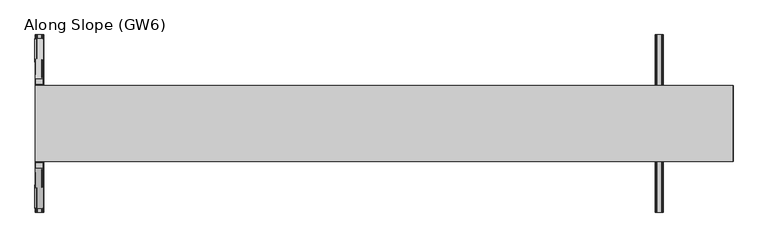
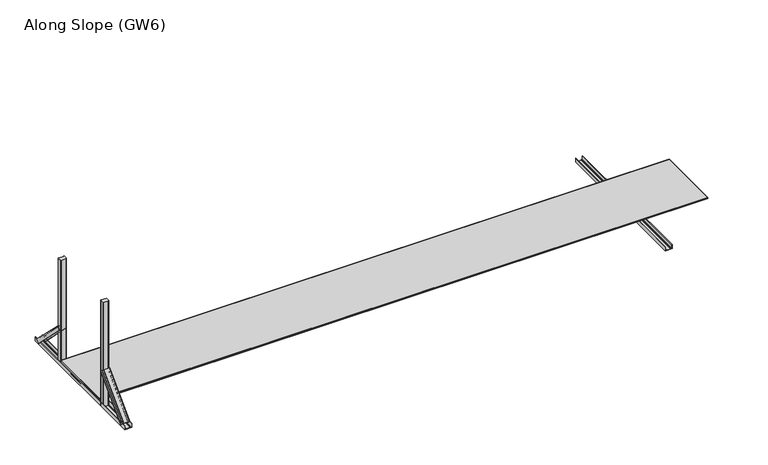
"""IFC4 building model written with IfcOpenShell, lengths in millimetres: proxy geometry, Along Slope (GW6)."""

from ifc_helpers import new_model, si_unit, point, frame, frame_2d, origin, origin_with_axes, place, context, project, spatial, polyline, circle_curve, trimmed, segment, composite_curve, outline, extrude, source, transform, mapped, element, save
from ifc_brep_helpers import plane_surface, extruded_surface, advanced_brep


def along_slope_gw6_c8362986(model_context):
    return source(origin(), model_context, "Body", "SolidModel", [
        extrude(outline(composite_curve([segment(polyline([(0.0, 4885.0), (0.0, 4950.0), (36.5, 4950.0)]), True, "CONTINUOUS"), segment(trimmed(circle_curve(frame_2d((36.5, 4948.5)), 1.5), [point((36.5, 4950.0))], [point((36.5, 4947.0))], False, "CARTESIAN"), True, "CONTINUOUS"), segment(polyline([(36.5, 4947.0), (3.0, 4947.0), (3.0, 4937.0), (5.5, 4937.0)]), True, "CONTINUOUS"), segment(trimmed(circle_curve(frame_2d((5.5, 4936.5)), 0.5), [point((5.5, 4937.0))], [point((5.5, 4936.0))], False, "CARTESIAN"), True, "CONTINUOUS"), segment(polyline([(5.5, 4936.0), (3.0, 4936.0), (3.0, 4899.0), (5.5, 4899.0)]), True, "CONTINUOUS"), segment(trimmed(circle_curve(frame_2d((5.5, 4898.5)), 0.5), [point((5.5, 4899.0))], [point((5.5, 4898.0))], False, "CARTESIAN"), True, "CONTINUOUS"), segment(polyline([(5.5, 4898.0), (3.0, 4898.0), (3.0, 4888.0), (36.5, 4888.0)]), True, "CONTINUOUS"), segment(trimmed(circle_curve(frame_2d((36.5, 4886.5)), 1.5), [point((36.5, 4888.0))], [point((36.5, 4885.0))], False, "CARTESIAN"), True, "CONTINUOUS"), segment(polyline([(36.5, 4885.0), (0.0, 4885.0)]), True, "CONTINUOUS")], self_intersect=False)), frame((0.0, -400.0, 0.0), z_axis=(0.0, 1.0, 0.0), x_axis=(0.0, 0.0, 1.0)), (0.0, 0.0, 1.0), 1400.0),
        advanced_brep(
        [(62.0, -368.6980515, 38.0), (-3.0, -368.6980515, 38.0), (-3.0, -342.888654, 12.1906025), (0.0, -342.888654, 12.1906025), (0.0, -366.5767312, 35.8786797), (10.0, -366.5767312, 35.8786797), (10.0, -364.8089642, 34.1109127), (11.0, -364.8089642, 34.1109127), (11.0, -366.5767312, 35.8786797), (48.0, -366.5767312, 35.8786797), (48.0, -364.8089642, 34.1109127), (49.0, -364.8089642, 34.1109127), (49.0, -366.5767312, 35.8786797), (59.0, -366.5767312, 35.8786797), (59.0, -342.888654, 12.1906025), (62.0, -342.888654, 12.1906025), (65.0, -50.5, 356.1980515), (65.0, -24.6906025, 330.388654), (62.0, -24.6906025, 330.388654), (62.0, -48.3786797, 354.0767312), (52.0, -48.3786797, 354.0767312), (52.0, -46.6109127, 352.3089642), (51.0, -46.6109127, 352.3089642), (51.0, -48.3786797, 354.0767312), (14.0, -48.3786797, 354.0767312), (14.0, -46.6109127, 352.3089642), (13.0, -46.6109127, 352.3089642), (13.0, -48.3786797, 354.0767312), (3.0, -48.3786797, 354.0767312), (3.0, -24.6906025, 330.388654), (0.0, -24.6906025, 330.388654), (0.0, -50.5, 356.1980515)],
        [
            (0, 1),
            (1, 2),
            (2, 3, circle_curve(frame((-1.5, -342.888654, 12.1906025), z_axis=(0.0, -0.7071067811865506, -0.7071067811865446), x_axis=(0.0, -0.7071067811865446, 0.7071067811865506)), 1.5)),
            (3, 4),
            (4, 5),
            (5, 6),
            (6, 7, circle_curve(frame((10.5, -364.8089642, 34.1109127), z_axis=(0.0, -0.7071067811865506, -0.7071067811865446), x_axis=(0.0, -0.7071067811865446, 0.7071067811865506)), 0.5)),
            (7, 8),
            (8, 9),
            (9, 10),
            (10, 11, circle_curve(frame((48.5, -364.8089642, 34.1109127), z_axis=(0.0, -0.7071067811865506, -0.7071067811865446), x_axis=(0.0, -0.7071067811865446, 0.7071067811865506)), 0.5)),
            (11, 12),
            (12, 13),
            (13, 14),
            (14, 15, circle_curve(frame((60.5, -342.888654, 12.1906025), z_axis=(0.0, -0.7071067811865506, -0.7071067811865446), x_axis=(0.0, -0.7071067811865446, 0.7071067811865506)), 1.5)),
            (15, 0),
            (16, 17),
            (17, 18, circle_curve(frame((63.5, -24.6906025, 330.388654), z_axis=(0.0, 0.7071067811865506, 0.7071067811865446), x_axis=(0.0, -0.7071067811865446, 0.7071067811865506)), 1.5)),
            (18, 19),
            (19, 20),
            (20, 21),
            (21, 22, circle_curve(frame((51.5, -46.6109127, 352.3089642), z_axis=(0.0, 0.7071067811865506, 0.7071067811865446), x_axis=(0.0, -0.7071067811865446, 0.7071067811865506)), 0.5)),
            (22, 23),
            (23, 24),
            (24, 25),
            (25, 26, circle_curve(frame((13.5, -46.6109127, 352.3089642), z_axis=(0.0, 0.7071067811865506, 0.7071067811865446), x_axis=(0.0, -0.7071067811865446, 0.7071067811865506)), 0.5)),
            (26, 27),
            (27, 28),
            (28, 29),
            (29, 30, circle_curve(frame((1.5, -24.6906025, 330.388654), z_axis=(0.0, 0.7071067811865506, 0.7071067811865446), x_axis=(0.0, -0.7071067811865446, 0.7071067811865506)), 1.5)),
            (30, 31),
            (31, 16),
            (16, 0),
            (15, 17),
            (14, 18),
            (13, 19),
            (12, 20),
            (11, 21),
            (10, 22),
            (9, 23),
            (8, 24),
            (7, 25),
            (6, 26),
            (5, 27),
            (4, 28),
            (3, 29),
            (2, 30),
            (1, 31),
        ],
        [
            plane_surface(frame((29.5, -360.4779352, 29.7798837), z_axis=(0.0, -0.7071067811865502, -0.7071067811865449), x_axis=(0.0, 0.7071067811865449, -0.7071067811865502))),
            plane_surface(frame((32.5, -42.2798837, 347.9779352), z_axis=(0.0, 0.7071067811865505, 0.7071067811865447), x_axis=(0.0, 0.7071067811865447, -0.7071067811865505))),
            plane_surface(frame((65.0, -37.5953012, 343.2933528), z_axis=(0.9999777785184913, -0.004713940454838276, -0.004713940454838116), x_axis=(0.0, 0.7071067811865449, -0.7071067811865502))),
            extruded_surface(trimmed(circle_curve(frame((60.5, -342.888654, 12.1906025), z_axis=(0.0, 0.7071067811865506, 0.7071067811865446), x_axis=(0.0, -0.7071067811865446, 0.7071067811865506)), 1.5), [point((62.0, -342.888654, 12.1906025))], [point((59.0, -342.888654, 12.1906025))], True, "CARTESIAN"), (3.0, 318.19805149999996, 318.19805149999996), 450.009999840885),
            plane_surface(frame((62.0, -36.5346411, 342.2326926), z_axis=(-0.9999777785184911, 0.004713940454837886, 0.00471394045483772), x_axis=(0.0, -0.7071067811865445, 0.7071067811865506))),
            plane_surface(frame((57.0, -48.3786797, 354.0767312), z_axis=(0.0, 0.7071067811865455, -0.7071067811865496), x_axis=(-1.0, 0.0, 0.0))),
            plane_surface(frame((52.0, -47.4947962, 353.1928477), z_axis=(0.9999777785184913, -0.004713940454838199, -0.0047139404548380325), x_axis=(0.0, 0.7071067811865445, -0.7071067811865507))),
            extruded_surface(trimmed(circle_curve(frame((48.5, -364.8089642, 34.1109127), z_axis=(0.0, 0.7071067811865506, 0.7071067811865446), x_axis=(0.0, -0.7071067811865446, 0.7071067811865506)), 0.5), [point((49.0, -364.8089642, 34.1109127))], [point((48.0, -364.8089642, 34.1109127))], True, "CARTESIAN"), (3.0, 318.1980515, 318.1980515), 450.00999984088503),
            plane_surface(frame((51.0, -47.4947962, 353.1928477), z_axis=(-0.9999777785184912, 0.004713940454838169, 0.0047139404548381045), x_axis=(0.0, -0.7071067811865521, 0.707106781186543))),
            plane_surface(frame((32.5, -48.3786797, 354.0767312), z_axis=(0.0, 0.7071067811865461, -0.7071067811865491), x_axis=(-1.0, 0.0, 0.0))),
            plane_surface(frame((14.0, -47.4947962, 353.1928477), z_axis=(0.9999777785184911, -0.004713940454838164, -0.004713940454837987), x_axis=(0.0, 0.7071067811865436, -0.7071067811865515))),
            extruded_surface(trimmed(circle_curve(frame((10.5, -364.8089642, 34.1109127), z_axis=(0.0, 0.7071067811865506, 0.7071067811865446), x_axis=(0.0, -0.7071067811865446, 0.7071067811865506)), 0.5), [point((11.0, -364.8089642, 34.1109127))], [point((10.0, -364.8089642, 34.1109127))], True, "CARTESIAN"), (3.0, 318.1980515, 318.1980515), 450.00999984088503),
            plane_surface(frame((13.0, -47.4947962, 353.1928477), z_axis=(-0.9999777785184913, 0.004713940454838203, 0.004713940454838003), x_axis=(0.0, -0.7071067811865419, 0.7071067811865532))),
            plane_surface(frame((8.0, -48.3786797, 354.0767312), z_axis=(0.0, 0.7071067811865461, -0.7071067811865491), x_axis=(-1.0, 0.0, 0.0))),
            plane_surface(frame((3.0, -36.5346411, 342.2326926), z_axis=(0.9999777785184911, -0.004713940454838192, -0.004713940454838038), x_axis=(0.0, 0.7071067811865454, -0.7071067811865497))),
            extruded_surface(trimmed(circle_curve(frame((-1.5, -342.888654, 12.1906025), z_axis=(0.0, 0.7071067811865506, 0.7071067811865446), x_axis=(0.0, -0.7071067811865446, 0.7071067811865506)), 1.5), [point((0.0, -342.888654, 12.1906025))], [point((-3.0, -342.888654, 12.1906025))], True, "CARTESIAN"), (3.0, 318.19805149999996, 318.19805149999996), 450.009999840885),
            plane_surface(frame((0.0, -37.5953012, 343.2933528), z_axis=(-0.9999777785184911, 0.00471394045483825, 0.004713940454838091), x_axis=(0.0, -0.7071067811865449, 0.7071067811865501))),
            plane_surface(frame((32.5, -50.5, 356.1980515), z_axis=(0.0, -0.7071067811865455, 0.7071067811865497), x_axis=(1.0, 0.0, 0.0))),
        ],
        [
            (0, [[1, 2, 3, 4, 5, 6, 7, 8, 9, 10, 11, 12, 13, 14, 15, 16]]),
            (1, [[17, 18, 19, 20, 21, 22, 23, 24, 25, 26, 27, 28, 29, 30, 31, 32]]),
            (2, [[33, -16, 34, -17]]),
            (3, [[-34, -15, 35, -18]]),
            (4, [[-35, -14, 36, -19]]),
            (5, [[-36, -13, 37, -20]]),
            (6, [[-37, -12, 38, -21]]),
            (7, [[-38, -11, 39, -22]]),
            (8, [[-39, -10, 40, -23]]),
            (9, [[-40, -9, 41, -24]]),
            (10, [[-41, -8, 42, -25]]),
            (11, [[-42, -7, 43, -26]]),
            (12, [[-43, -6, 44, -27]]),
            (13, [[-44, -5, 45, -28]]),
            (14, [[-45, -4, 46, -29]]),
            (15, [[-46, -3, 47, -30]]),
            (16, [[-47, -2, 48, -31]]),
            (17, [[-48, -1, -33, -32]]),
        ],
    ),
        extrude(outline(composite_curve([segment(polyline([(55.5, -50.5), (9.5, -50.5)]), True, "CONTINUOUS"), segment(trimmed(circle_curve(frame_2d((9.5, -45.5)), 5.0), [point((9.5, -50.5))], [point((4.5, -45.5))], False, "CARTESIAN"), True, "CONTINUOUS"), segment(polyline([(4.5, -45.5), (4.5, -17.5)]), True, "CONTINUOUS"), segment(trimmed(circle_curve(frame_2d((9.5, -17.5)), 5.0), [point((4.5, -17.5))], [point((9.5, -12.5))], False, "CARTESIAN"), True, "CONTINUOUS"), segment(polyline([(9.5, -12.5), (55.5, -12.5)]), True, "CONTINUOUS"), segment(trimmed(circle_curve(frame_2d((55.5, -17.5)), 5.0), [point((55.5, -12.5))], [point((60.5, -17.5))], False, "CARTESIAN"), True, "CONTINUOUS"), segment(polyline([(60.5, -17.5), (60.5, -45.5)]), True, "CONTINUOUS"), segment(trimmed(circle_curve(frame_2d((55.5, -45.5)), 5.0), [point((60.5, -45.5))], [point((55.5, -50.5))], False, "CARTESIAN"), True, "CONTINUOUS")], self_intersect=False)), origin_with_axes(), (0.0, 0.0, 1.0), 1003.0),
        extrude(outline(composite_curve([segment(polyline([(55.5, 612.5), (9.5, 612.5)]), True, "CONTINUOUS"), segment(trimmed(circle_curve(frame_2d((9.5, 617.5)), 5.0), [point((9.5, 612.5))], [point((4.5, 617.5))], False, "CARTESIAN"), True, "CONTINUOUS"), segment(polyline([(4.5, 617.5), (4.5, 645.5)]), True, "CONTINUOUS"), segment(trimmed(circle_curve(frame_2d((9.5, 645.5)), 5.0), [point((4.5, 645.5))], [point((9.5, 650.5))], False, "CARTESIAN"), True, "CONTINUOUS"), segment(polyline([(9.5, 650.5), (55.5, 650.5)]), True, "CONTINUOUS"), segment(trimmed(circle_curve(frame_2d((55.5, 645.5)), 5.0), [point((55.5, 650.5))], [point((60.5, 645.5))], False, "CARTESIAN"), True, "CONTINUOUS"), segment(polyline([(60.5, 645.5), (60.5, 617.5)]), True, "CONTINUOUS"), segment(trimmed(circle_curve(frame_2d((55.5, 617.5)), 5.0), [point((60.5, 617.5))], [point((55.5, 612.5))], False, "CARTESIAN"), True, "CONTINUOUS")], self_intersect=False)), origin_with_axes(), (0.0, 0.0, 1.0), 1003.0),
        advanced_brep(
        [(-3.0, 968.7087394, 38.0), (62.0, 968.7087394, 38.0), (62.0, 942.8993419, 12.1906025), (59.0, 942.8993419, 12.1906025), (59.0, 966.5874191, 35.8786797), (49.0, 966.5874191, 35.8786797), (49.0, 964.8196521, 34.1109127), (48.0, 964.8196521, 34.1109127), (48.0, 966.5874191, 35.8786797), (11.0, 966.5874191, 35.8786797), (11.0, 964.8196521, 34.1109127), (10.0, 964.8196521, 34.1109127), (10.0, 966.5874191, 35.8786797), (0.0, 966.5874191, 35.8786797), (0.0, 942.8993419, 12.1906025), (-3.0, 942.8993419, 12.1906025), (0.0, 650.5106879, 356.1980515), (0.0, 624.7012904, 330.388654), (3.0, 624.7012904, 330.388654), (3.0, 648.3893676, 354.0767312), (13.0, 648.3893676, 354.0767312), (13.0, 646.6216006, 352.3089642), (14.0, 646.6216006, 352.3089642), (14.0, 648.3893676, 354.0767312), (51.0, 648.3893676, 354.0767312), (51.0, 646.6216006, 352.3089642), (52.0, 646.6216006, 352.3089642), (52.0, 648.3893676, 354.0767312), (62.0, 648.3893676, 354.0767312), (62.0, 624.7012904, 330.388654), (65.0, 624.7012904, 330.388654), (65.0, 650.5106879, 356.1980515)],
        [
            (0, 1),
            (1, 2),
            (2, 3, circle_curve(frame((60.5, 942.8993419, 12.1906025), z_axis=(0.0, 0.7071067811865432, -0.7071067811865519), x_axis=(0.0, -0.7071067811865519, -0.7071067811865432)), 1.5)),
            (3, 4),
            (4, 5),
            (5, 6),
            (6, 7, circle_curve(frame((48.5, 964.8196521, 34.1109127), z_axis=(0.0, 0.7071067811865432, -0.7071067811865519), x_axis=(0.0, -0.7071067811865519, -0.7071067811865432)), 0.5)),
            (7, 8),
            (8, 9),
            (9, 10),
            (10, 11, circle_curve(frame((10.5, 964.8196521, 34.1109127), z_axis=(0.0, 0.7071067811865432, -0.7071067811865519), x_axis=(0.0, -0.7071067811865519, -0.7071067811865432)), 0.5)),
            (11, 12),
            (12, 13),
            (13, 14),
            (14, 15, circle_curve(frame((-1.5, 942.8993419, 12.1906025), z_axis=(0.0, 0.7071067811865432, -0.7071067811865519), x_axis=(0.0, -0.7071067811865519, -0.7071067811865432)), 1.5)),
            (15, 0),
            (16, 17),
            (17, 18, circle_curve(frame((1.5, 624.7012904, 330.388654), z_axis=(0.0, -0.7071067811865432, 0.7071067811865519), x_axis=(0.0, -0.7071067811865519, -0.7071067811865432)), 1.5)),
            (18, 19),
            (19, 20),
            (20, 21),
            (21, 22, circle_curve(frame((13.5, 646.6216006, 352.3089642), z_axis=(0.0, -0.7071067811865432, 0.7071067811865519), x_axis=(0.0, -0.7071067811865519, -0.7071067811865432)), 0.5)),
            (22, 23),
            (23, 24),
            (24, 25),
            (25, 26, circle_curve(frame((51.5, 646.6216006, 352.3089642), z_axis=(0.0, -0.7071067811865432, 0.7071067811865519), x_axis=(0.0, -0.7071067811865519, -0.7071067811865432)), 0.5)),
            (26, 27),
            (27, 28),
            (28, 29),
            (29, 30, circle_curve(frame((63.5, 624.7012904, 330.388654), z_axis=(0.0, -0.7071067811865432, 0.7071067811865519), x_axis=(0.0, -0.7071067811865519, -0.7071067811865432)), 1.5)),
            (30, 31),
            (31, 16),
            (16, 0),
            (15, 17),
            (14, 18),
            (13, 19),
            (12, 20),
            (11, 21),
            (10, 22),
            (9, 23),
            (8, 24),
            (7, 25),
            (6, 26),
            (5, 27),
            (4, 28),
            (3, 29),
            (2, 30),
            (1, 31),
        ],
        [
            plane_surface(frame((29.5, 960.4886231, 29.7798837), z_axis=(0.0, 0.707106781186543, -0.7071067811865521), x_axis=(0.0, -0.7071067811865521, -0.707106781186543))),
            plane_surface(frame((32.5, 642.2905716, 347.9779352), z_axis=(0.0, -0.7071067811865432, 0.7071067811865519), x_axis=(0.0, -0.7071067811865519, -0.7071067811865432))),
            plane_surface(frame((0.0, 637.6059891, 343.2933528), z_axis=(-0.9999777785184912, -0.004713940454842057, 0.004713940454841993), x_axis=(0.0, -0.7071067811865521, -0.707106781186543))),
            extruded_surface(trimmed(circle_curve(frame((-1.5, 942.8993419, 12.1906025), z_axis=(0.0, -0.7071067811865432, 0.7071067811865519), x_axis=(0.0, -0.7071067811865519, -0.7071067811865432)), 1.5), [point((-3.0, 942.8993419, 12.1906025))], [point((0.0, 942.8993419, 12.1906025))], True, "CARTESIAN"), (3.0, -318.1980515, 318.19805149999996), 450.009999840885),
            plane_surface(frame((3.0, 636.545329, 342.2326926), z_axis=(0.9999777785184912, 0.004713940454842057, -0.004713940454841993), x_axis=(0.0, 0.7071067811865521, 0.707106781186543))),
            plane_surface(frame((8.0, 648.3893676, 354.0767312), z_axis=(0.0, -0.7071067811865525, -0.7071067811865427), x_axis=(1.0, 0.0, 0.0))),
            plane_surface(frame((13.0, 647.5054841, 353.1928477), z_axis=(-0.9999777785184911, -0.004713940454842033, 0.004713940454842016), x_axis=(0.0, -0.7071067811865557, -0.7071067811865394))),
            extruded_surface(trimmed(circle_curve(frame((10.5, 964.8196521, 34.1109127), z_axis=(0.0, -0.7071067811865432, 0.7071067811865519), x_axis=(0.0, -0.7071067811865519, -0.7071067811865432)), 0.5), [point((10.0, 964.8196521, 34.1109127))], [point((11.0, 964.8196521, 34.1109127))], True, "CARTESIAN"), (3.0, -318.1980515, 318.1980515), 450.00999984088503),
            plane_surface(frame((14.0, 647.5054841, 353.1928477), z_axis=(0.9999777785184911, 0.004713940454842045, -0.004713940454842029), x_axis=(0.0, 0.7071067811865557, 0.7071067811865394))),
            plane_surface(frame((32.5, 648.3893676, 354.0767312), z_axis=(0.0, -0.7071067811865525, -0.7071067811865427), x_axis=(1.0, 0.0, 0.0))),
            plane_surface(frame((51.0, 647.5054841, 353.1928477), z_axis=(-0.9999777785184911, -0.004713940454842039, 0.004713940454842022), x_axis=(0.0, -0.7071067811865557, -0.7071067811865394))),
            extruded_surface(trimmed(circle_curve(frame((48.5, 964.8196521, 34.1109127), z_axis=(0.0, -0.7071067811865432, 0.7071067811865519), x_axis=(0.0, -0.7071067811865519, -0.7071067811865432)), 0.5), [point((48.0, 964.8196521, 34.1109127))], [point((49.0, 964.8196521, 34.1109127))], True, "CARTESIAN"), (3.0, -318.1980515, 318.1980515), 450.00999984088503),
            plane_surface(frame((52.0, 647.5054841, 353.1928477), z_axis=(0.9999777785184911, 0.004713940454842066, -0.004713940454841994), x_axis=(0.0, 0.7071067811865515, 0.7071067811865436))),
            plane_surface(frame((57.0, 648.3893676, 354.0767312), z_axis=(0.0, -0.7071067811865522, -0.707106781186543), x_axis=(1.0, 0.0, 0.0))),
            plane_surface(frame((62.0, 636.545329, 342.2326926), z_axis=(-0.9999777785184911, -0.004713940454842064, 0.004713940454841998), x_axis=(0.0, -0.707106781186552, -0.7071067811865431))),
            extruded_surface(trimmed(circle_curve(frame((60.5, 942.8993419, 12.1906025), z_axis=(0.0, -0.7071067811865432, 0.7071067811865519), x_axis=(0.0, -0.7071067811865519, -0.7071067811865432)), 1.5), [point((59.0, 942.8993419, 12.1906025))], [point((62.0, 942.8993419, 12.1906025))], True, "CARTESIAN"), (3.0, -318.1980515, 318.19805149999996), 450.009999840885),
            plane_surface(frame((65.0, 637.6059891, 343.2933528), z_axis=(0.9999777785184913, 0.004713940454842066, -0.004713940454841998), x_axis=(0.0, 0.7071067811865519, 0.7071067811865432))),
            plane_surface(frame((32.5, 650.5106879, 356.1980515), z_axis=(0.0, 0.7071067811865526, 0.7071067811865427), x_axis=(-1.0, 0.0, 0.0))),
        ],
        [
            (0, [[1, 2, 3, 4, 5, 6, 7, 8, 9, 10, 11, 12, 13, 14, 15, 16]]),
            (1, [[17, 18, 19, 20, 21, 22, 23, 24, 25, 26, 27, 28, 29, 30, 31, 32]]),
            (2, [[33, -16, 34, -17]]),
            (3, [[-34, -15, 35, -18]]),
            (4, [[-35, -14, 36, -19]]),
            (5, [[-36, -13, 37, -20]]),
            (6, [[-37, -12, 38, -21]]),
            (7, [[-38, -11, 39, -22]]),
            (8, [[-39, -10, 40, -23]]),
            (9, [[-40, -9, 41, -24]]),
            (10, [[-41, -8, 42, -25]]),
            (11, [[-42, -7, 43, -26]]),
            (12, [[-43, -6, 44, -27]]),
            (13, [[-44, -5, 45, -28]]),
            (14, [[-45, -4, 46, -29]]),
            (15, [[-46, -3, 47, -30]]),
            (16, [[-47, -2, 48, -31]]),
            (17, [[-48, -1, -33, -32]]),
        ],
    ),
        extrude(outline(composite_curve([segment(polyline([(0.0, 0.0), (0.0, 65.0), (36.5, 65.0)]), True, "CONTINUOUS"), segment(trimmed(circle_curve(frame_2d((36.5, 63.5)), 1.5), [point((36.5, 65.0))], [point((36.5, 62.0))], False, "CARTESIAN"), True, "CONTINUOUS"), segment(polyline([(36.5, 62.0), (3.0, 62.0), (3.0, 52.0), (5.5, 52.0)]), True, "CONTINUOUS"), segment(trimmed(circle_curve(frame_2d((5.5, 51.5)), 0.5), [point((5.5, 52.0))], [point((5.5, 51.0))], False, "CARTESIAN"), True, "CONTINUOUS"), segment(polyline([(5.5, 51.0), (3.0, 51.0), (3.0, 14.0), (5.5, 14.0)]), True, "CONTINUOUS"), segment(trimmed(circle_curve(frame_2d((5.5, 13.5)), 0.5), [point((5.5, 14.0))], [point((5.5, 13.0))], False, "CARTESIAN"), True, "CONTINUOUS"), segment(polyline([(5.5, 13.0), (3.0, 13.0), (3.0, 3.0), (36.5, 3.0)]), True, "CONTINUOUS"), segment(trimmed(circle_curve(frame_2d((36.5, 1.5)), 1.5), [point((36.5, 3.0))], [point((36.5, 0.0))], False, "CARTESIAN"), True, "CONTINUOUS"), segment(polyline([(36.5, 0.0), (0.0, 0.0)]), True, "CONTINUOUS")], self_intersect=False)), frame((0.0, -400.0, 0.0), z_axis=(0.0, 1.0, 0.0), x_axis=(0.0, 0.0, 1.0)), (0.0, 0.0, 1.0), 1400.0),
        extrude(outline(polyline([(5499.0, 1.0), (1.0, 1.0), (1.0, 599.0), (5499.0, 599.0), (5499.0, 1.0)])), frame((0.0, 0.0, 42.0), z_axis=(0.0, 0.0, 1.0), x_axis=(1.0, 0.0, 0.0)), (0.0, 0.0, 1.0), 13.0),
        extrude(outline(polyline([(5500.0, 0.0), (0.0, 0.0), (0.0, 600.0), (5500.0, 600.0), (5500.0, 0.0)]), holes=[polyline([(5499.0, 1.0), (5499.0, 599.0), (1.0, 599.0), (1.0, 1.0), (5499.0, 1.0)])]), frame((0.0, 0.0, 42.0), z_axis=(0.0, 0.0, 1.0), x_axis=(1.0, 0.0, 0.0)), (0.0, 0.0, 1.0), 13.0),
    ])


if __name__ == "__main__":
    model = new_model("IFC4")
    model_context = context("Model", 3, world=origin())
    ifc_project = project(units=[si_unit("LENGTHUNIT", "METRE", prefix="MILLI")], contexts=[model_context])
    site = spatial("IfcSite", under=ifc_project)
    building = spatial("IfcBuilding", under=site)
    placement = place(None, origin())
    along_slope_gw6_shape = along_slope_gw6_c8362986(model_context)
    element("IfcBuildingElementProxy", 1, Name="Along Slope (GW6)", ObjectType="Along Slope (GW6)", at=placement, inside=building, context=model_context, shape_type="MappedRepresentation", body=[
        mapped(along_slope_gw6_shape, transform((0.0, 0.0, 0.0), x_axis=(1.0, 0.0, 0.0), y_axis=(0.0, 1.0, 0.0), z_axis=(0.0, 0.0, 1.0))),
    ])
    save(model, "model.ifc")
